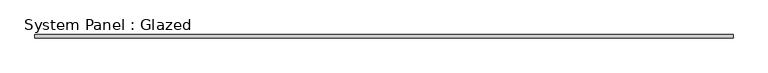
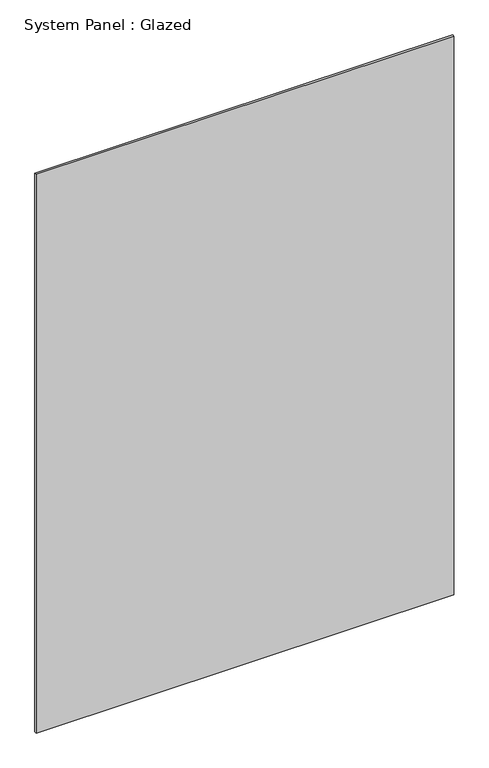
"""IFC4 building model written with IfcOpenShell, lengths in millimetres: plate geometry, System Panel : Glazed."""

from ifc_helpers import new_model, si_unit, origin, origin_with_axes, place, context, project, spatial, polyline, outline, extrude, source, transform, mapped, element, save


def system_panel_glazed_413318a8(model_context):
    return source(origin(), model_context, "Body", "SweptSolid", [
        extrude(outline(polyline([(2641.6, 25.4), (-2641.6, 25.4), (-2641.6, 50.8), (2641.6, 50.8), (2641.6, 25.4)])), origin_with_axes(), (0.0, 0.0, 1.0), 7467.6),
    ])


if __name__ == "__main__":
    model = new_model("IFC4")
    model_context = context("Model", 3, world=origin())
    ifc_project = project(units=[si_unit("LENGTHUNIT", "METRE", prefix="MILLI")], contexts=[model_context])
    site = spatial("IfcSite", under=ifc_project)
    building = spatial("IfcBuilding", under=site)
    placement = place(None, origin())
    system_panel_glazed_shape = system_panel_glazed_413318a8(model_context)
    element("IfcPlate", 1, ObjectType="System Panel : Glazed", at=placement, inside=building, context=model_context, shape_type="MappedRepresentation", body=[
        mapped(system_panel_glazed_shape, transform((0.0, 0.0, 0.0), x_axis=(1.0, 0.0, 0.0), y_axis=(0.0, 1.0, 0.0), z_axis=(0.0, 0.0, 1.0))),
    ])
    save(model, "model.ifc")
